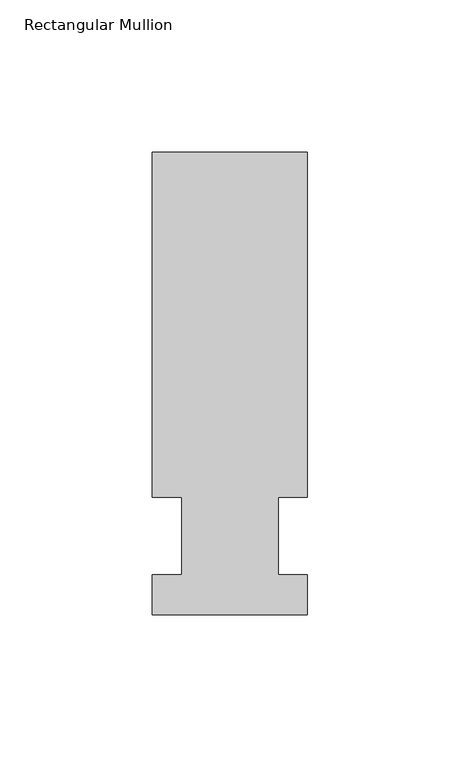
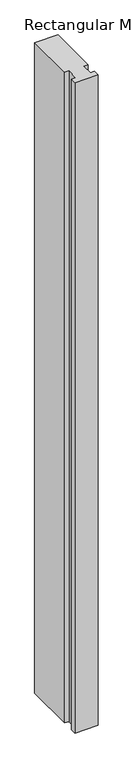
"""IFC4 building model written with IfcOpenShell, lengths in millimetres: member geometry, Rectangular Mullion."""

import ifcopenshell
import ifcopenshell.guid

model = None  # the IFC model being written
_history = None  # IfcOwnerHistory: only IFC2X3 demands one
_inside = {}  # id of a spatial element -> (the spatial element, [elements in it])
_under = {}  # id of a project, library or spatial element -> (it, [spatial elements below it])
_declared = {}  # id of a project -> (the project, [libraries it declares])
_typed = {}  # id of a type object -> (the type object, [elements of that type])
_made_of = {}  # id of a material, layer set ... -> (it, [elements and type objects made of it])


def new_model(schema):
    """Start an empty IFC model of exactly this schema.

    Asked for "IFC4X3", IfcOpenShell would pick the latest addendum, in which some entities
    have other attributes; the version numbers below select the first issue.
    IFC2X3 requires an IfcOwnerHistory on every rooted entity: one is made here for all.
    """
    global model, _history
    if schema == "IFC4X3":
        model = ifcopenshell.file(schema_version=(4, 3, 0, 0))
    else:
        model = ifcopenshell.file(schema=schema)
    _inside.clear()
    _under.clear()
    _declared.clear()
    _typed.clear()
    _made_of.clear()
    _history = None
    if model.schema == "IFC2X3":
        org = make("IfcOrganization", Name="unknown")
        user = make(
            "IfcPersonAndOrganization",
            ThePerson=make("IfcPerson", FamilyName="unknown"),
            TheOrganization=org,
        )
        app = make(
            "IfcApplication",
            ApplicationDeveloper=org,
            Version="unknown",
            ApplicationFullName="unknown",
            ApplicationIdentifier="unknown",
        )
        _history = make(
            "IfcOwnerHistory",
            OwningUser=user,
            OwningApplication=app,
            ChangeAction="ADDED",
            CreationDate=0,
        )
    return model


def make(cls, **values):
    """One entity of the class cls with the attributes given. An attribute that is None is left unset."""
    return model.create_entity(
        cls, **{name: value for name, value in values.items() if value is not None}
    )


def rooted(cls, **values):
    """An entity with a GlobalId (a new one), such as an element, a storey or a relation."""
    return make(cls, GlobalId=ifcopenshell.guid.new(), OwnerHistory=_history, **values)


def si_unit(unit_type, name, prefix=None):
    """IfcSIUnit, for example si_unit("LENGTHUNIT", "METRE", prefix="MILLI")."""
    return make("IfcSIUnit", UnitType=unit_type, Prefix=prefix, Name=name)


def assignment(units):
    """IfcUnitAssignment: the units of a project."""
    return None if units is None else make("IfcUnitAssignment", Units=units)


def point(xyz):
    """IfcCartesianPoint."""
    return None if xyz is None else make("IfcCartesianPoint", Coordinates=xyz)


def direction(xyz):
    """IfcDirection."""
    return None if xyz is None else make("IfcDirection", DirectionRatios=xyz)


def frame(location, z_axis=None, x_axis=None):
    """IfcAxis2Placement3D, a coordinate frame: its origin and axes. An axis left out is left unset."""
    return make(
        "IfcAxis2Placement3D",
        Location=point(location),
        Axis=direction(z_axis),
        RefDirection=direction(x_axis),
    )


def origin():
    """The frame at (0, 0, 0) with its axes left unset."""
    return frame((0.0, 0.0, 0.0))


def place(relative_to, where):
    """IfcLocalPlacement: puts the frame where relative to a parent placement (None: the world)."""
    return make(
        "IfcLocalPlacement", PlacementRelTo=relative_to, RelativePlacement=where
    )


def context(
    kind, dimensions, precision=None, world=None, true_north=None, identifier=None
):
    """IfcGeometricRepresentationContext, for example the 3D "Model" context."""
    return make(
        "IfcGeometricRepresentationContext",
        ContextIdentifier=identifier,
        ContextType=kind,
        CoordinateSpaceDimension=dimensions,
        Precision=precision,
        WorldCoordinateSystem=world,
        TrueNorth=true_north,
    )


def project(units=None, contexts=None):
    """IfcProject with its units and contexts."""
    return rooted(
        "IfcProject",
        Name="project",
        RepresentationContexts=contexts,
        UnitsInContext=assignment(units),
    )


def spatial(cls, under=None, at=None, **own):
    """A site, building, storey or space (cls), placed at a placement, below another one or the project."""
    s = rooted(cls, ObjectPlacement=at, **own)
    if under is not None:
        _under.setdefault(under.id(), (under, []))[1].append(s)
    return s


def polyline(points):
    """IfcPolyline through the points."""
    return make("IfcPolyline", Points=[point(p) for p in points])


def outline(outer, holes=None, kind="AREA"):
    """IfcArbitraryClosedProfileDef: a profile drawn as a closed curve; with holes, ...WithVoids."""
    if holes is None:
        return make("IfcArbitraryClosedProfileDef", ProfileType=kind, OuterCurve=outer)
    return make(
        "IfcArbitraryProfileDefWithVoids",
        ProfileType=kind,
        OuterCurve=outer,
        InnerCurves=holes,
    )


def extrude(swept, where, along, depth):
    """IfcExtrudedAreaSolid: the profile swept, set in the frame where, extruded along a direction by depth."""
    return make(
        "IfcExtrudedAreaSolid",
        SweptArea=swept,
        Position=where,
        ExtrudedDirection=direction(along),
        Depth=depth,
    )


def shape(context_of_items, identifier, shape_type, items):
    """IfcShapeRepresentation: the items that make up one representation, for example the "Body"."""
    return make(
        "IfcShapeRepresentation",
        ContextOfItems=context_of_items,
        RepresentationIdentifier=identifier,
        RepresentationType=shape_type,
        Items=items,
    )


def source(mapping_origin, context_of_items, identifier, shape_type, items):
    """IfcRepresentationMap: a shape defined once, which mapped items show again and again."""
    return make(
        "IfcRepresentationMap",
        MappingOrigin=mapping_origin,
        MappedRepresentation=shape(context_of_items, identifier, shape_type, items),
    )


def transform(
    local_origin,
    x_axis=None,
    y_axis=None,
    z_axis=None,
    scale=None,
    scale2=None,
    scale3=None,
    uniform=True,
):
    """IfcCartesianTransformationOperator3D, or its non-uniform kind. x_axis, y_axis, z_axis: its Axis1, 2, 3."""
    if uniform:
        return make(
            "IfcCartesianTransformationOperator3D",
            Axis1=direction(x_axis),
            Axis2=direction(y_axis),
            LocalOrigin=point(local_origin),
            Scale=scale,
            Axis3=direction(z_axis),
        )
    return make(
        "IfcCartesianTransformationOperator3DnonUniform",
        Axis1=direction(x_axis),
        Axis2=direction(y_axis),
        LocalOrigin=point(local_origin),
        Scale=scale,
        Axis3=direction(z_axis),
        Scale2=scale2,
        Scale3=scale3,
    )


def mapped(mapping_source, mapping_target):
    """IfcMappedItem: shows the shape of a source again, moved by a transform."""
    return make(
        "IfcMappedItem", MappingSource=mapping_source, MappingTarget=mapping_target
    )


def made_of(thing, what):
    """Note that an element or type object is made of a material, layer set ...; save() writes the relation."""
    if what is not None:
        _made_of.setdefault(what.id(), (what, []))[1].append(thing)
    return thing


def element(
    cls,
    number,
    at=None,
    inside=None,
    cuts=None,
    type_object=None,
    material=None,
    context=None,
    identifier="Body",
    shape_type=None,
    held_by="IfcProductDefinitionShape",
    body=None,
    shapes=None,
    **own,
):
    """One element of the class cls, such as IfcWall. Its Tag is "e" and its number.

    at: its placement. inside: the storey or other place that contains it. cuts: it is an
    opening in that element (IfcRelVoidsElement). A single representation is given by context,
    identifier, shape_type and body (its items); several are given by shapes. held_by: the class
    of the entity that holds the representations. save() writes the other relations.
    """
    e = rooted(cls, Tag="e%d" % number, ObjectPlacement=at, **own)
    if body is not None:
        shapes = [shape(context, identifier, shape_type, body)]
    if shapes is not None:
        e.Representation = make(held_by, Representations=shapes)
    if inside is not None:
        _inside.setdefault(inside.id(), (inside, []))[1].append(e)
    if cuts is not None:
        rooted(
            "IfcRelVoidsElement", RelatingBuildingElement=cuts, RelatedOpeningElement=e
        )
    if type_object is not None:
        _typed.setdefault(type_object.id(), (type_object, []))[1].append(e)
    return made_of(e, material)


def aggregate(whole, parts):
    """IfcRelAggregates: a whole, such as a stair, and the parts it consists of."""
    return rooted("IfcRelAggregates", RelatingObject=whole, RelatedObjects=parts)


def save(model, path):
    """Write the relations noted so far, then the file.

    IfcRelAggregates (storeys below a building ...), IfcRelContainedInSpatialStructure (elements
    in a storey), IfcRelDefinesByType, IfcRelAssociatesMaterial and IfcRelDeclares: one each for
    every whole, place, type object, material and project.
    """
    for whole, parts in _under.values():
        aggregate(whole, parts)
    for where, things in _inside.values():
        rooted(
            "IfcRelContainedInSpatialStructure",
            RelatedElements=things,
            RelatingStructure=where,
        )
    for kind, things in _typed.values():
        rooted("IfcRelDefinesByType", RelatedObjects=things, RelatingType=kind)
    for what, things in _made_of.values():
        rooted("IfcRelAssociatesMaterial", RelatedObjects=things, RelatingMaterial=what)
    for by, libraries in _declared.values():
        rooted("IfcRelDeclares", RelatingContext=by, RelatedDefinitions=libraries)
    model.write(path)


def rectangular_mullion_98d01482(model_context):
    return source(origin(), model_context, "Body", "SweptSolid", [
        extrude(outline(polyline([(-25.4, -25.796875), (-25.4, -12.7), (-15.875, -12.7), (-15.875, 12.7), (-25.4, 12.7), (-25.4, 125.809375), (25.4, 125.809375), (25.4, 12.7), (15.875, 12.7), (15.875, -12.7), (25.4, -12.7), (25.4, -25.796875), (-25.4, -25.796875)])), frame((0.0, 0.0, -1498.6), z_axis=(0.0, 0.0, 1.0), x_axis=(1.0, 0.0, 0.0)), (0.0, 0.0, 1.0), 1498.6),
    ])


if __name__ == "__main__":
    model = new_model("IFC4")
    model_context = context("Model", 3, world=origin())
    ifc_project = project(units=[si_unit("LENGTHUNIT", "METRE", prefix="MILLI")], contexts=[model_context])
    site = spatial("IfcSite", under=ifc_project)
    building = spatial("IfcBuilding", under=site)
    placement = place(None, origin())
    rectangular_mullion_shape = rectangular_mullion_98d01482(model_context)
    element("IfcMember", 1, ObjectType="Rectangular Mullion", at=placement, inside=building, context=model_context, shape_type="MappedRepresentation", body=[
        mapped(rectangular_mullion_shape, transform((0.0, 0.0, 0.0), x_axis=(1.0, 0.0, 0.0), y_axis=(0.0, 1.0, 0.0), z_axis=(0.0, 0.0, 1.0))),
    ])
    save(model, "model.ifc")
